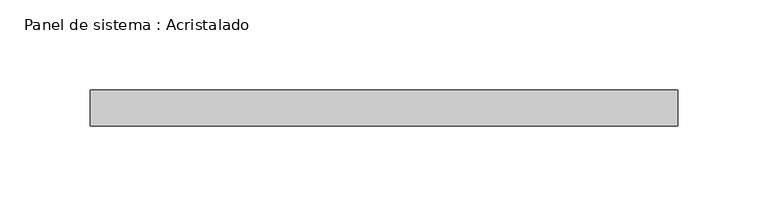
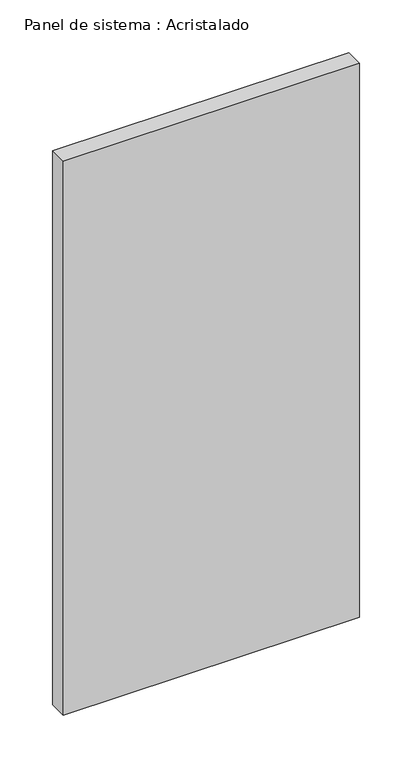
"""IFC4 building model written with IfcOpenShell, lengths in millimetres: plate geometry, Panel de sistema : Acristalado."""

from ifc_helpers import new_model, si_unit, origin, origin_with_axes, place, context, project, spatial, polyline, outline, extrude, source, transform, mapped, element, save


def panel_de_sistema_acristalado_77242f67(model_context):
    return source(origin(), model_context, "Body", "SweptSolid", [
        extrude(outline(polyline([(162.5, -10.0), (-162.5, -10.0), (-162.5, 10.0), (162.5, 10.0), (162.5, -10.0)])), origin_with_axes(), (0.0, 0.0, 1.0), 642.1037779),
    ])


if __name__ == "__main__":
    model = new_model("IFC4")
    model_context = context("Model", 3, world=origin())
    ifc_project = project(units=[si_unit("LENGTHUNIT", "METRE", prefix="MILLI")], contexts=[model_context])
    site = spatial("IfcSite", under=ifc_project)
    building = spatial("IfcBuilding", under=site)
    placement = place(None, origin())
    panel_de_sistema_acristalado_shape = panel_de_sistema_acristalado_77242f67(model_context)
    element("IfcPlate", 1, ObjectType="Panel de sistema : Acristalado", at=placement, inside=building, context=model_context, shape_type="MappedRepresentation", body=[
        mapped(panel_de_sistema_acristalado_shape, transform((0.0, 0.0, 0.0), x_axis=(1.0, 0.0, 0.0), y_axis=(0.0, 1.0, 0.0), z_axis=(0.0, 0.0, 1.0))),
    ])
    save(model, "model.ifc")
